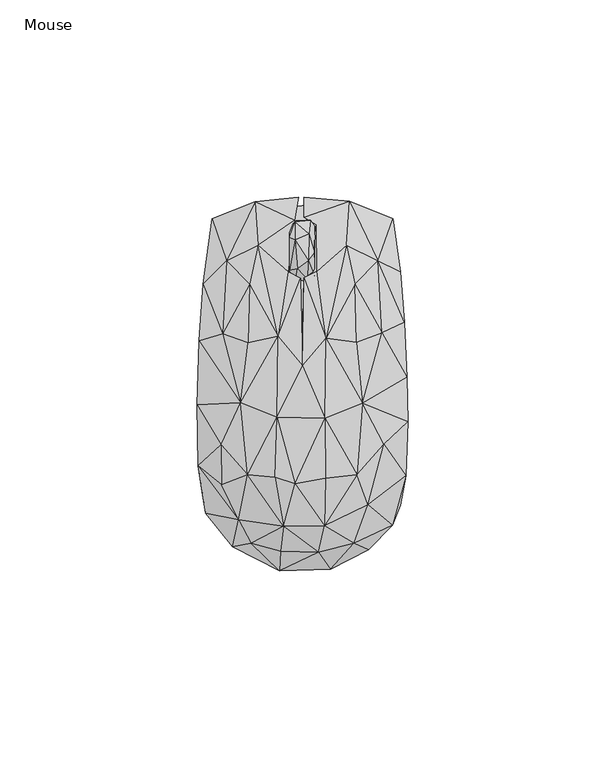
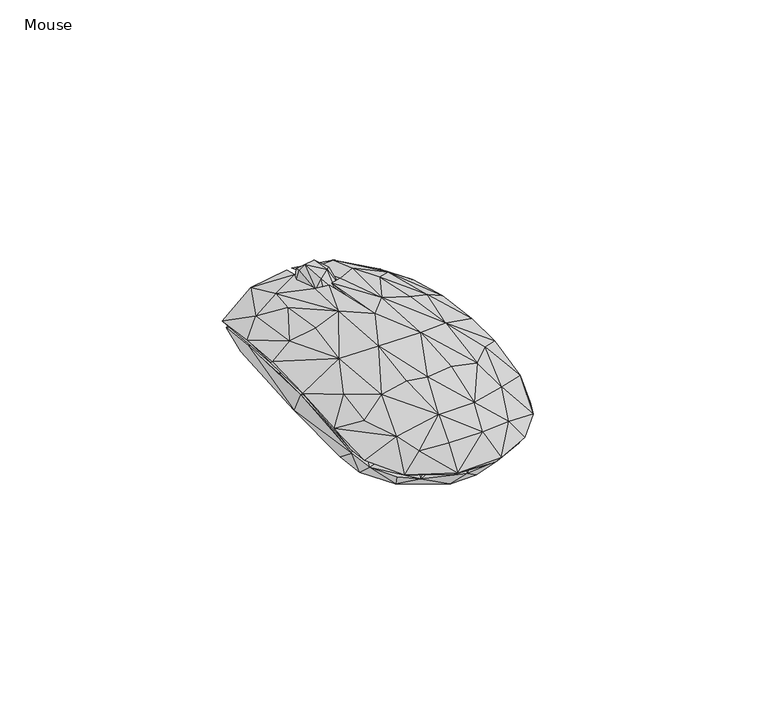
"""IFC4 building model written with IfcOpenShell, lengths in millimetres: furniture geometry, Mouse."""

from ifc_helpers import new_model, si_unit, origin, place, context, project, spatial, triangles, source, transform, mapped, element, save


def mouse_97966318(model_context):
    return source(origin(), model_context, "Body", "Tessellation", [
        triangles([(-1.7870627, 25.5556985, 15.0905907), (1.4279075, 26.2556989, 17.1901639), (-1.2795779, 29.2699885, 20.2893071), (-3.187063, 28.7699872, 18.0897343), (2.0353913, 41.5199947, 14.9905912), (-1.7870642, 41.1199964, 16.5901631), (1.7353916, 38.1057091, 19.6893074), (3.1353924, 27.4628427, 17.4901638), (1.5279071, 31.2771266, 21.0893059), (3.1353921, 33.2842761, 20.0893079), (-3.1870636, 37.2057073, 18.8897343), (-1.8870636, 36.5985587, 20.4893062), (1.5279074, 29.1699855, 6.1931613), (3.2353923, 31.9842782, 6.2931615), (3.0353925, 27.1628428, 9.1923049), (-1.6870626, 26.455698, 8.992304), (-1.6870632, 31.4771303, 5.2931618), (-0.0795784, 35.0985594, 5.0931615), (-3.0870635, 33.6914164, 6.1931613), (2.2353917, 37.705704, 6.3931616), (3.2353917, 39.919997, 12.4914477), (-3.1870627, 26.8556986, 10.3918768), (-3.0870637, 40.0199955, 11.4914475), (-1.6870639, 39.21285, 7.4927334), (1.9353913, 41.1199964, 10.091877), (-1.5870642, 41.4199963, 11.7914485), (2.0353927, 25.4556978, 12.9914479)], [[1, 2, 3], [1, 3, 4], [5, 6, 7], [2, 8, 9], [2, 9, 3], [8, 10, 9], [6, 11, 12], [6, 12, 7], [4, 12, 11], [4, 3, 12], [3, 9, 12], [9, 7, 12], [9, 10, 7], [13, 14, 15], [13, 16, 17], [13, 17, 18], [13, 18, 14], [13, 15, 16], [17, 19, 18], [17, 16, 19], [14, 18, 20], [14, 20, 21], [14, 21, 10], [14, 10, 15], [19, 16, 22], [19, 23, 24], [19, 24, 18], [19, 22, 4], [19, 4, 23], [18, 24, 20], [20, 25, 21], [20, 24, 25], [24, 23, 26], [24, 26, 25], [16, 15, 27], [16, 27, 1], [16, 1, 22], [15, 8, 27], [15, 10, 8], [22, 1, 4], [25, 26, 5], [25, 5, 21], [27, 8, 2], [27, 2, 1], [23, 4, 11], [23, 11, 6], [23, 6, 26], [26, 6, 5], [21, 5, 7], [21, 7, 10]]),
        triangles([(-11.1957874, 35.19296, 15.7576683), (-6.1527716, 12.0434861, 22.6493329), (-3.6527732, 28.4764686, 18.7493336), (-2.009761, 41.5259446, 14.4576693), (11.1762664, 35.19296, 15.7576683), (3.6332525, 40.4094521, 14.55767), (3.7332535, 28.5764716, 19.3493345), (6.033255, 11.6269974, 22.7493336), (-4.7527673, -36.0049335, 19.4493352), (5.6332596, -35.9049328, 19.3493345), (-1.8097549, -25.2719494, 23.3493333), (-6.9527682, -23.6719517, 22.949335), (-13.8957815, -22.9554597, 20.8493338), (5.8332581, -23.8719509, 23.0493335), (13.8762719, -22.9554575, 20.8493338), (-6.3527696, -8.4224783, 24.3493336), (5.7332574, -8.6224757, 24.4493343), (3.5332586, -25.7719507, 21.6493349), (-5.7527682, -23.4554587, 21.849334), (4.6332576, -15.1389674, 23.0493335), (13.7762712, -22.6554576, 19.6493343), (-15.6387983, -4.7059874, 21.5493319), (-13.795782, -22.6554599, 19.6493343), (-6.0527697, -8.3224781, 23.1493342), (-13.8957827, -5.7059869, 21.0493329), (13.8762708, -5.6059845, 21.0493329), (15.2192813, -4.905984, 21.7493333), (-0.1097578, 6.1269965, 22.7493336), (6.0332561, -1.3059852, 23.0493335), (0.0902424, 4.6105053, 24.1493345), (-6.1527716, 11.5269956, 21.4493335), (-13.7957842, 10.4269957, 21.0493329), (-15.0387986, 9.6269957, 19.3493345), (5.9332543, 16.0434884, 20.7493353), (15.5192801, 11.1269984, 18.9493339), (13.7762678, 10.5269976, 21.0493329), (0.3902404, 26.8764709, 19.9493342), (-0.4097596, 26.7764702, 19.6493343), (-6.1527665, -46.2214247, 7.5660052), (-17.7387928, -41.3049325, 8.5660049), (-10.6957793, -40.104933, 13.066005), (0.1902465, -42.7214249, 13.3576705), (5.4332598, -46.4214216, 7.4660045), (-5.7527665, -47.3214257, 8.5660049), (7.1332605, -46.9214229, 8.5660049), (4.13326, -42.6214219, 14.9576694), (-5.5527668, -42.421425, 14.8576698), (-12.9957808, -40.3049345, 13.6576693), (12.8762728, -39.5049333, 12.5660049), (16.8192847, -42.0214222, 8.4660053), (5.7332597, -41.104931, 14.257669), (13.0762742, -40.3049345, 13.6576693), (15.9192852, -33.7884422, 14.6576695), (24.8622997, -30.6884407, 9.4660045), (22.8623014, -35.8049321, 9.7660055), (-16.1387939, -34.3884419, 15.6576687), (-24.4818064, -32.7884442, 10.2660056), (-25.3818083, -27.2719523, 10.5660043), (-15.8387941, -33.7884422, 14.55767), (-5.5527673, -35.3884399, 18.1576682), (4.7332594, -35.3884399, 18.2576701), (16.6192822, -30.5884377, 17.1576702), (26.2622982, -23.2554573, 12.8660047), (-26.3818086, -20.75546, 13.4576701), (20.1192843, -25.67195, 15.5576691), (-26.6818107, -5.305988, 14.9576694), (-20.438796, -23.3554626, 15.8576701), (26.5622958, 1.7105076, 15.0576701), (26.762295, -9.6224743, 15.0576701), (20.4192819, -14.4389658, 17.5576697), (20.7192817, -15.238967, 18.6576695), (-25.1818137, 25.2764663, 12.266005), (-26.181814, 11.0269932, 14.6576695), (-20.2387992, 12.7434866, 17.8576684), (-19.2387989, 31.1929588, 14.0576698), (-22.8818155, 41.8259399, 7.3660049), (-25.7818111, 12.7434866, 13.1576691), (24.8622951, 28.4764709, 11.466005), (25.9622961, 15.643489, 13.9576703), (22.962293, 41.8259444, 7.3660049), (19.2192802, 31.1929611, 14.0576698), (20.619281, -1.5059841, 17.8576684), (19.0192799, 30.1929631, 13.0576695), (-11.9957874, 46.2259439, 11.166004), (-15.7388002, 44.2259433, 9.2660047), (-19.5387987, 22.3599769, 14.9576694), (-1.0097615, 47.3259449, 11.9660052), (-11.2957869, 34.7929594, 14.55767), (-13.1957857, 24.876468, 16.95767), (0.4902384, 47.3259449, 12.0660047), (0.4902388, 42.3259457, 14.1576694), (11.9762664, 46.3259423, 11.166004), (11.5762658, 45.5259412, 10.2660056), (11.3762667, 34.7929594, 14.55767), (-20.438796, -25.5719516, 16.7576685), (-20.6387952, -15.4389706, 18.6576695), (-20.781812, -6.8224788, 17.8576684), (20.2192805, 13.0434898, 17.8576684), (-13.3957859, 25.2764663, 18.1576682), (13.3762672, 25.2764709, 18.1576682), (0.8902402, 26.476468, 18.7576691), (13.2762677, 24.8764726, 16.95767), (-3.738857, -39.9733413, 0.003408), (3.991629, -39.7733399, 0.003408), (-2.1388563, -45.7733416, 6.3030804), (-13.6998292, -42.3733447, 6.6030796), (-15.5998302, -33.0558834, 0.003408), (15.6526011, -33.0558834, 0.003408), (7.0221158, -44.973345, 6.4030799), (-20.9303154, -24.0209652, 0.003408), (20.8830844, -24.1209614, 0.003408), (-23.2303135, -33.0558856, 7.8030802), (-18.7998279, -38.9558843, 6.9030801), (15.6526011, -41.2733392, 6.7030804), (23.5830877, -32.5384186, 7.9030804), (-21.9303156, -15.9035044, 0.203408), (-21.6303181, 7.6663369, 0.003408), (-25.1303156, -27.4384233, 9.3030801), (21.9830854, -20.2209587, 0.603408), (21.4830841, 9.366341, 0.003408), (25.4830853, -24.6209604, 10.1030806), (-26.1303182, -3.368585, 13.102751), (-24.330319, 26.218719, 9.8030796), (-20.3303225, 36.9361789, 0.003408), (7.2221081, 38.3361774, 0.003408), (20.3830809, 36.9361789, 0.003408), (22.2830785, 40.8536428, 5.6034081), (24.2830813, 27.2187238, 9.6030794), (25.4830807, 12.3663407, 12.1027519), (-22.2303223, 40.9536367, 5.6034081), (-5.5388635, 38.4361759, 0.003408), (-10.5693505, 44.8536394, 9.2030799), (7.0221073, 45.4536391, 9.8030796), (17.1525947, 43.1536387, 7.6030799), (-18.699834, 30.1187216, 11.9027516), (18.7525958, 30.1187239, 11.9027516), (-3.2388569, -41.9733419, 11.7027513), (-5.8388577, -37.3558844, 15.4027515), (-13.0693433, -35.3558838, 13.9027522), (5.2916289, -41.5733436, 11.802752), (19.1526009, -33.6558808, 10.9030795), (13.0526008, -35.3558838, 13.9027522), (-20.3303179, -22.8209635, 14.6027515), (19.9830849, -22.2209592, 15.002752), (-26.0303175, -14.8035034, 12.3027522), (26.083085, -11.9860382, 12.602752), (-25.7303199, 8.266336, 12.602752), (-19.7303205, 12.6663371, 15.6027517), (-8.8693493, 36.2361784, 13.2027506), (0.8916224, 34.5361755, 14.9027513), (12.8221098, 29.7187233, 14.3027516), (6.2916229, 33.1361769, 14.9027513), (1.6916286, -35.7558844, 17.0024244), (6.7221148, -33.7558838, 17.2024236), (-6.2388577, -29.2384224, 19.002425), (-13.4998301, -26.2209649, 17.6024253), (13.552601, -26.2209604, 17.6024253), (-20.2303195, -9.8860426, 16.80275), (-13.6998326, -14.3035022, 19.6024259), (20.5830846, -5.7685807, 16.7027527), (13.7525978, -14.303501, 19.6024259), (-16.1998333, -0.8685841, 18.6024256), (19.8830841, 9.5663401, 16.0027523), (13.7525978, -2.1685816, 19.802425), (-13.069349, 24.6012577, 15.802752), (-13.4998335, 10.1663376, 18.6024256), (13.5525964, 10.1663399, 18.6024256), (-6.1388632, 24.3012601, 17.5024257), (6.7221102, 16.3837974, 19.3024237), (1.6916241, 15.1837968, 20.0024242), (1.6916276, -24.6209626, 20.802423), (6.9221134, -22.9209619, 20.5024232), (-6.2388594, -17.6035017, 21.402425), (6.491626, -12.0860401, 21.8024256), (1.1916263, -8.8860412, 22.4024253), (-6.0388597, -5.4685831, 22.0024247), (6.9221117, -0.6685819, 21.5024234), (1.6916251, 4.2488799, 21.7024226), (-6.138861, 7.666338, 20.802423)], [[1, 2, 3], [1, 3, 4], [5, 6, 7], [5, 7, 8], [9, 10, 11], [9, 12, 13], [9, 11, 12], [10, 14, 11], [10, 15, 14], [12, 11, 16], [12, 16, 13], [11, 14, 17], [11, 17, 16], [18, 19, 20], [18, 20, 21], [14, 15, 17], [13, 16, 22], [23, 24, 19], [23, 25, 24], [19, 24, 20], [21, 20, 26], [15, 27, 17], [20, 24, 28], [20, 29, 26], [20, 28, 29], [16, 17, 30], [16, 30, 2], [16, 2, 22], [24, 25, 31], [24, 31, 28], [17, 27, 8], [17, 8, 30], [22, 2, 32], [25, 33, 31], [29, 28, 34], [29, 35, 26], [29, 34, 35], [27, 36, 8], [30, 8, 37], [30, 38, 2], [30, 28, 38], [30, 37, 28], [31, 3, 38], [31, 38, 28], [8, 7, 37], [2, 38, 3], [39, 40, 41], [39, 41, 42], [39, 42, 43], [39, 44, 40], [39, 43, 44], [44, 45, 46], [44, 47, 48], [44, 46, 47], [44, 48, 40], [44, 43, 45], [43, 49, 50], [43, 42, 51], [43, 51, 49], [43, 50, 45], [45, 50, 52], [45, 52, 46], [50, 49, 53], [50, 53, 54], [50, 54, 55], [50, 55, 52], [40, 48, 56], [40, 56, 57], [40, 58, 59], [40, 59, 41], [40, 57, 58], [41, 59, 60], [41, 60, 42], [49, 51, 61], [49, 61, 53], [55, 62, 52], [55, 63, 62], [55, 54, 63], [57, 56, 64], [57, 64, 58], [54, 53, 65], [54, 65, 63], [58, 64, 66], [58, 67, 59], [58, 66, 67], [63, 68, 69], [63, 65, 70], [63, 70, 68], [63, 71, 62], [63, 69, 71], [72, 73, 74], [72, 74, 75], [72, 75, 76], [72, 76, 77], [72, 77, 73], [78, 79, 68], [78, 80, 81], [78, 81, 79], [78, 82, 35], [78, 68, 82], [78, 83, 80], [78, 35, 83], [76, 84, 85], [76, 75, 84], [76, 85, 86], [76, 86, 77], [85, 84, 87], [85, 87, 88], [85, 89, 86], [85, 88, 89], [84, 75, 1], [84, 1, 4], [84, 4, 87], [87, 4, 88], [90, 91, 92], [90, 93, 91], [90, 92, 93], [93, 80, 83], [93, 94, 6], [93, 83, 94], [93, 6, 91], [93, 92, 80], [92, 5, 81], [92, 81, 80], [92, 6, 5], [92, 91, 6], [47, 9, 48], [47, 46, 9], [42, 60, 61], [42, 61, 51], [46, 52, 10], [46, 10, 9], [48, 9, 56], [52, 62, 10], [56, 9, 13], [56, 13, 95], [56, 95, 64], [59, 67, 23], [59, 23, 60], [60, 18, 61], [60, 23, 19], [60, 19, 18], [61, 18, 21], [61, 21, 53], [53, 21, 65], [62, 71, 15], [62, 15, 10], [95, 96, 64], [95, 13, 96], [65, 21, 70], [64, 96, 66], [67, 97, 23], [67, 66, 97], [96, 13, 22], [96, 22, 66], [70, 82, 68], [70, 21, 26], [70, 26, 82], [71, 69, 27], [71, 27, 15], [97, 66, 77], [97, 77, 33], [97, 25, 23], [97, 33, 25], [69, 68, 27], [66, 73, 77], [66, 22, 73], [82, 26, 35], [68, 98, 27], [68, 79, 98], [73, 22, 74], [77, 86, 33], [74, 99, 75], [74, 22, 32], [74, 32, 99], [98, 79, 81], [98, 100, 36], [98, 81, 100], [98, 36, 27], [86, 89, 33], [99, 1, 75], [99, 32, 2], [99, 2, 1], [89, 88, 31], [89, 31, 33], [101, 37, 7], [101, 94, 34], [101, 6, 94], [101, 34, 28], [101, 28, 37], [101, 7, 6], [102, 94, 83], [102, 83, 35], [102, 35, 34], [102, 34, 94], [100, 5, 8], [100, 81, 5], [100, 8, 36], [88, 4, 3], [88, 3, 31], [103, 104, 105], [103, 105, 106], [103, 107, 104], [103, 106, 107], [104, 107, 108], [104, 109, 105], [104, 108, 109], [107, 110, 111], [107, 111, 108], [107, 112, 110], [107, 113, 112], [107, 106, 113], [108, 114, 109], [108, 111, 115], [108, 115, 114], [110, 116, 117], [110, 117, 111], [110, 112, 118], [110, 118, 116], [111, 119, 115], [111, 117, 120], [111, 120, 119], [119, 120, 121], [119, 121, 115], [116, 118, 117], [117, 118, 122], [117, 123, 124], [117, 122, 123], [117, 124, 120], [120, 124, 125], [120, 125, 126], [120, 126, 127], [120, 127, 128], [120, 128, 129], [120, 129, 121], [124, 130, 131], [124, 131, 125], [124, 123, 130], [131, 130, 132], [131, 132, 125], [125, 132, 133], [125, 133, 134], [125, 134, 126], [126, 134, 127], [130, 123, 135], [130, 135, 132], [127, 134, 136], [127, 136, 128], [106, 137, 138], [106, 112, 113], [106, 105, 137], [106, 139, 112], [106, 138, 139], [105, 109, 140], [105, 140, 137], [109, 114, 140], [114, 141, 142], [114, 115, 141], [114, 142, 140], [112, 139, 143], [112, 143, 118], [141, 115, 121], [141, 121, 144], [141, 144, 142], [118, 145, 122], [118, 143, 145], [121, 129, 146], [121, 146, 144], [123, 147, 148], [123, 148, 135], [123, 122, 147], [128, 136, 129], [132, 135, 149], [132, 149, 150], [132, 150, 133], [133, 151, 134], [133, 150, 152], [133, 152, 151], [134, 151, 136], [137, 140, 153], [137, 153, 138], [140, 142, 154], [140, 154, 153], [139, 138, 155], [139, 155, 156], [139, 156, 143], [138, 153, 155], [142, 144, 157], [142, 157, 154], [143, 158, 145], [143, 156, 159], [143, 159, 158], [144, 146, 160], [144, 160, 161], [144, 161, 157], [145, 158, 122], [158, 159, 162], [158, 162, 122], [146, 129, 160], [122, 162, 147], [160, 163, 164], [160, 129, 163], [160, 164, 161], [147, 162, 148], [148, 165, 135], [148, 162, 166], [148, 166, 165], [163, 129, 136], [163, 151, 167], [163, 136, 151], [163, 167, 164], [165, 149, 135], [165, 166, 168], [165, 168, 149], [151, 152, 169], [151, 169, 167], [149, 168, 150], [150, 170, 152], [150, 168, 170], [152, 170, 169], [153, 154, 171], [153, 171, 155], [154, 172, 171], [154, 157, 172], [155, 171, 173], [155, 173, 156], [156, 173, 159], [171, 172, 174], [171, 175, 173], [171, 174, 175], [172, 157, 161], [172, 161, 174], [159, 173, 176], [159, 176, 162], [173, 175, 176], [161, 177, 174], [161, 164, 177], [175, 174, 177], [175, 177, 178], [175, 178, 176], [162, 176, 179], [162, 179, 166], [176, 178, 179], [177, 164, 167], [177, 167, 169], [177, 170, 178], [177, 169, 170], [178, 170, 179], [166, 179, 168], [179, 170, 168]]),
    ])


if __name__ == "__main__":
    model = new_model("IFC4")
    model_context = context("Model", 3, world=origin())
    ifc_project = project(units=[si_unit("LENGTHUNIT", "METRE", prefix="MILLI")], contexts=[model_context])
    site = spatial("IfcSite", under=ifc_project)
    building = spatial("IfcBuilding", under=site)
    placement = place(None, origin())
    mouse_shape = mouse_97966318(model_context)
    element("IfcFurniture", 1, ObjectType="Mouse", at=placement, inside=building, context=model_context, shape_type="MappedRepresentation", body=[
        mapped(mouse_shape, transform((0.0, 0.0, 0.0), x_axis=(1.0, 0.0, 0.0), y_axis=(0.0, 1.0, 0.0), z_axis=(0.0, 0.0, 1.0))),
    ])
    save(model, "model.ifc")
